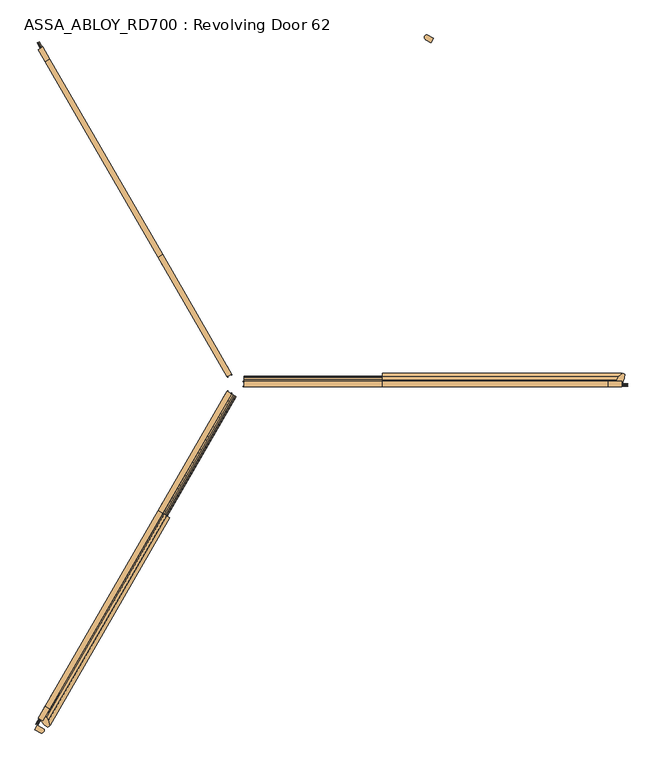
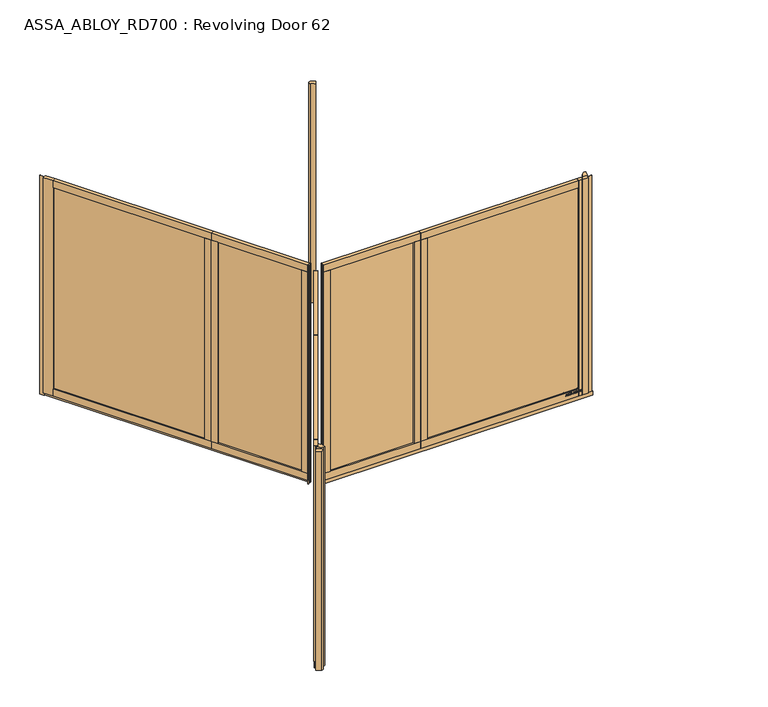
"""IFC4 building model written with IfcOpenShell, lengths in millimetres: door geometry, ASSA_ABLOY_RD700 : Revolving Door 62."""

from ifc_helpers import new_model, si_unit, point, frame, frame_2d, origin, origin_with_axes, origin_2d, place, context, project, spatial, polyline, circle_curve, trimmed, segment, composite_curve, outline, extrude, source, transform, mapped, element, save


def assa_abloy_rd700_revolving_door_62_88ebb59d(model_context):
    return source(origin(), model_context, "Body", "SweptSolid", [
        extrude(outline(composite_curve([segment(trimmed(circle_curve(origin_2d(), 3100.0), [point((-1550.0, -2684.6787517))], [point((-1506.4971038, -2709.3295252))], True, "CARTESIAN"), True, "CONTINUOUS"), segment(trimmed(circle_curve(frame_2d((-1516.7742629, -2726.4929816)), 20.0051052), [point((-1506.4971038, -2709.3295252))], [point((-1526.4996726, -2743.9749907))], False, "CARTESIAN"), True, "CONTINUOUS"), segment(trimmed(circle_curve(origin_2d(), 3140.0), [point((-1526.4996726, -2743.9749907))], [point((-1570.0, -2719.3197679))], False, "CARTESIAN"), True, "CONTINUOUS"), segment(polyline([(-1570.0, -2719.3197679), (-1550.0, -2684.6787517)]), True, "CONTINUOUS")], self_intersect=False)), origin_with_axes(), (0.0, 0.0, 1.0), 2600.0),
        extrude(outline(composite_curve([segment(trimmed(circle_curve(origin_2d(), 3100.0), [point((1550.0, 2684.6787517))], [point((1506.4971038, 2709.3295252))], True, "CARTESIAN"), True, "CONTINUOUS"), segment(trimmed(circle_curve(frame_2d((1516.7742629, 2726.4929816)), 20.0051052), [point((1506.4971038, 2709.3295252))], [point((1526.4996726, 2743.9749907))], False, "CARTESIAN"), True, "CONTINUOUS"), segment(trimmed(circle_curve(origin_2d(), 3140.0), [point((1526.4996726, 2743.9749907))], [point((1570.0, 2719.3197679))], False, "CARTESIAN"), True, "CONTINUOUS"), segment(polyline([(1570.0, 2719.3197679), (1550.0, 2684.6787517)]), True, "CONTINUOUS")], self_intersect=False)), origin_with_axes(), (0.0, 0.0, 1.0), 2600.0),
        extrude(outline(polyline([(-547.5155414, -944.8247427), (-50.5155414, -83.9954913), (-47.4844586, -85.7454878), (-544.4844586, -946.5747392), (-547.5155414, -944.8247427)])), frame((0.0, 0.0, 124.0), z_axis=(0.0, 0.0, 1.0), x_axis=(1.0, 0.0, 0.0)), (0.0, 0.0, 1.0), 2394.0),
        extrude(outline(polyline([(-1471.5155414, -2545.2396889), (-620.5155414, -1071.2644516), (-617.4844586, -1073.0144481), (-1468.4844586, -2546.9896854), (-1471.5155414, -2545.2396889)])), frame((0.0, 0.0, 124.0), z_axis=(0.0, 0.0, 1.0), x_axis=(1.0, 0.0, 0.0)), (0.0, 0.0, 1.0), 2394.0),
        extrude(outline(polyline([(-1452.6794919, -2556.1146871), (-1487.3205081, -2536.1146871), (-599.8205081, -998.9195954), (-565.1794919, -1018.9195954), (-1452.6794919, -2556.1146871)])), frame((0.0, 0.0, 42.0), z_axis=(0.0, 0.0, 1.0), x_axis=(1.0, 0.0, 0.0)), (0.0, 0.0, 1.0), 82.0),
        extrude(outline(polyline([(-599.8205081, -998.9195954), (-565.1794919, -1018.9195954), (-1452.6794919, -2556.1146871), (-1487.3205081, -2536.1146871), (-599.8205081, -998.9195954)])), frame((0.0, 0.0, 2518.0), z_axis=(0.0, 0.0, 1.0), x_axis=(1.0, 0.0, 0.0)), (0.0, 0.0, 1.0), 82.0),
        extrude(outline(polyline([(-565.1794919, -1018.9195954), (-599.8205081, -998.9195954), (-563.3205081, -935.6997409), (-528.6794919, -955.6997409), (-565.1794919, -1018.9195954)])), frame((0.0, 0.0, 124.0), z_axis=(0.0, 0.0, 1.0), x_axis=(1.0, 0.0, 0.0)), (0.0, 0.0, 1.0), 2394.0),
        extrude(outline(polyline([(-601.6794919, -1082.1394499), (-636.3205081, -1062.1394499), (-599.8205081, -998.9195954), (-565.1794919, -1018.9195954), (-601.6794919, -1082.1394499)])), frame((0.0, 0.0, 124.0), z_axis=(0.0, 0.0, 1.0), x_axis=(1.0, 0.0, 0.0)), (0.0, 0.0, 1.0), 2394.0),
        extrude(outline(polyline([(-24.2775681, -76.0499815), (-20.7775681, -69.9878037), (-18.1794919, -71.4878037), (-21.6794919, -77.5499815), (-24.2775681, -76.0499815)])), origin_with_axes(), (0.0, 0.0, 1.0), 2600.0),
        extrude(outline(polyline([(-56.6794919, -138.1717598), (-91.3205081, -118.1717598), (-56.3205081, -57.5499815), (-21.6794919, -77.5499815), (-56.6794919, -138.1717598)])), frame((0.0, 0.0, 124.0), z_axis=(0.0, 0.0, 1.0), x_axis=(1.0, 0.0, 0.0)), (0.0, 0.0, 1.0), 2394.0),
        extrude(outline(polyline([(-56.3205081, -57.5499815), (-21.6794919, -77.5499815), (-565.1794919, -1018.9195954), (-599.8205081, -998.9195954), (-56.3205081, -57.5499815)])), frame((0.0, 0.0, 2518.0), z_axis=(0.0, 0.0, 1.0), x_axis=(1.0, 0.0, 0.0)), (0.0, 0.0, 1.0), 82.0),
        extrude(outline(polyline([(-1487.3205081, -2536.1146871), (-1452.6794919, -2556.1146871), (-1507.6794919, -2651.3774815), (-1542.3205081, -2631.3774815), (-1487.3205081, -2536.1146871)])), frame((0.0, 0.0, 42.0), z_axis=(0.0, 0.0, 1.0), x_axis=(1.0, 0.0, 0.0)), (0.0, 0.0, 1.0), 2558.0),
        extrude(outline(polyline([(-1551.5155414, -2683.8037535), (-1526.5155414, -2640.5024833), (-1523.4844586, -2642.2524798), (-1548.4844586, -2685.55375), (-1551.5155414, -2683.8037535)])), origin_with_axes(), (0.0, 0.0, 1.0), 2600.0),
        extrude(outline(polyline([(-565.1794919, -1018.9195954), (-599.8205081, -998.9195954), (-56.3205081, -57.5499815), (-21.6794919, -77.5499815), (-565.1794919, -1018.9195954)])), frame((0.0, 0.0, 42.0), z_axis=(0.0, 0.0, 1.0), x_axis=(1.0, 0.0, 0.0)), (0.0, 0.0, 1.0), 82.0),
        extrude(outline(polyline([(-50.2224319, -52.9878037), (-53.7224319, -59.0499815), (-56.3205081, -57.5499815), (-52.8205081, -51.4878037), (-50.2224319, -52.9878037)])), origin_with_axes(), (0.0, 0.0, 1.0), 2600.0),
        extrude(outline(polyline([(-1564.7224319, -2676.1787517), (-53.7224319, -59.0499815), (-49.5655099, -61.4499815), (-1560.5655099, -2678.5787517), (-1564.7224319, -2676.1787517)])), origin_with_axes(), (0.0, 0.0, 1.0), 42.0),
        extrude(outline(polyline([(-21.1919362, 0.0), (0.0, 0.0), (1.2354289, -3.3526833), (-14.8894584, -17.1035441), (-15.8652682, -14.4554101), (-11.2716326, -10.6269535), (-14.2348715, -2.5853724), (-20.214336, -2.6529929), (-21.1919362, 0.0)]), holes=[polyline([(-11.7626281, -2.5849675), (-9.3848751, -9.0376682), (-1.6611384, -2.5160752), (-11.7626281, -2.5849675)])]), frame((-1460.3315201, -2573.3683888, 111.8848654), z_axis=(-0.8660254037844339, 0.5000000000000084, 0.0), x_axis=(-0.17288098849125705, -0.2994386557295809, 0.9383222555567716)), (0.0, 0.0, 1.0), 2.0),
        extrude(outline(polyline([(-3.5121291, 0.0), (0.0, 0.0), (2.8187321, -2.6852579), (4.250422, -5.1162245), (5.5118808, -7.3434952), (7.3063201, -9.1972246), (9.3614355, -9.1814983), (11.0208469, -7.1616301), (10.6514742, -3.4882218), (8.71119, 0.0484617), (6.0403681, 2.6484111), (9.0699595, 3.711135), (11.0920114, 1.0208016), (12.7977466, -2.5981572), (13.1300796, -8.3561656), (9.9996043, -11.7673439), (6.2388815, -11.6844271), (3.0893834, -8.4786223), (1.8238571, -6.2006453), (0.6628891, -4.2207409), (-0.9295188, -2.6144294), (-2.9863484, -2.6252693), (-4.8029446, -4.7524082), (-4.3562346, -8.76362), (-2.4447822, -12.1320668), (0.6567353, -15.0446472), (-2.5145629, -16.1570791), (-4.824798, -13.2083907), (-6.5093631, -9.6341389), (-7.2092232, -6.1919012), (-6.787432, -3.3659463), (-5.4926863, -1.2764387), (-3.5121291, 0.0)])), frame((-1448.4666248, -2552.8177873, 100.999973), z_axis=(-0.8660254037844339, 0.5000000000000084, 0.0), x_axis=(-0.16550355081007195, -0.2866605588360954, 0.9436282629706656)), (0.0, 0.0, 1.0), 2.0),
        extrude(outline(polyline([(-3.5121291, 0.0), (0.0, 0.0), (2.8187321, -2.6852579), (4.250422, -5.1162245), (5.5118808, -7.3434952), (7.3063201, -9.1972246), (9.3614355, -9.1814983), (11.0208469, -7.1616301), (10.6514742, -3.4882218), (8.71119, 0.0484617), (6.0403681, 2.6484111), (9.0699595, 3.711135), (11.0920114, 1.0208016), (12.7977466, -2.5981572), (13.1300796, -8.3561656), (9.9996043, -11.7673439), (6.2388815, -11.6844271), (3.0893834, -8.4786223), (1.8238571, -6.2006453), (0.6628891, -4.2207409), (-0.9295188, -2.6144294), (-2.9863484, -2.6252693), (-4.8029446, -4.7524082), (-4.3562346, -8.76362), (-2.4447822, -12.1320668), (0.6567353, -15.0446472), (-2.5145629, -16.1570791), (-4.824798, -13.2083907), (-6.5093631, -9.6341389), (-7.2092232, -6.1919012), (-6.787432, -3.3659463), (-5.4926863, -1.2764387), (-3.5121291, 0.0)])), frame((-1439.0213137, -2536.4580286, 100.999973), z_axis=(-0.8660254037844338, 0.5000000000000084, 0.0), x_axis=(-0.16550355081010626, -0.2866605588361549, 0.9436282629706415)), (0.0, 0.0, 1.0), 2.0),
        extrude(outline(polyline([(-21.1919362, 0.0), (0.0, 0.0), (1.2354289, -3.3526833), (-14.8894584, -17.103544), (-15.8652682, -14.4554101), (-11.2716326, -10.6269535), (-14.2348715, -2.5853723), (-20.214336, -2.6529929), (-21.1919362, 0.0)]), holes=[polyline([(-11.7626281, -2.5849674), (-9.3848751, -9.0376682), (-1.6611384, -2.5160752), (-11.7626281, -2.5849674)])]), frame((-1431.9955869, -2524.2891127, 111.8848654), z_axis=(-0.8660254037844339, 0.5000000000000084, 0.0), x_axis=(-0.17288098849125705, -0.2994386557295809, 0.9383222555567716)), (0.0, 0.0, 1.0), 2.0),
        extrude(outline(polyline([(-21.1919362, 0.0), (0.0, 0.0), (1.2354289, -3.3526833), (-14.8894584, -17.1035441), (-15.8652682, -14.4554101), (-11.2716326, -10.6269535), (-14.2348715, -2.5853724), (-20.214336, -2.6529929), (-21.1919362, 0.0)]), holes=[polyline([(-11.7626281, -2.5849675), (-9.3848751, -9.0376682), (-1.6611384, -2.5160752), (-11.7626281, -2.5849675)])]), frame((-1417.7447666, -2499.605968, 111.8848654), z_axis=(-0.8660254037844339, 0.5000000000000084, 0.0), x_axis=(-0.17288098849125705, -0.2994386557295809, 0.9383222555567716)), (0.0, 0.0, 1.0), 2.0),
        extrude(outline(polyline([(-3.6247797, -1e-07), (0.0, 0.0), (2.8147562, -2.4211002), (3.7068839, -0.0321766), (5.7320771, 1.441087), (7.9241126, 1.6554025), (9.8352432, 0.5920774), (11.1479956, -1.1951535), (12.3716711, -4.2930708), (14.3144162, -9.9880648), (-4.5055294, -16.4081519), (-6.8194358, -9.6251298), (-7.5842828, -6.2202288), (-7.204982, -3.4426963), (-5.9232413, -1.3859292), (-3.6247797, -1e-07)]), holes=[polyline([(5.2214253, -2.9241787), (4.7734732, -6.6552625), (5.9304264, -10.0467735), (11.2627443, -8.2277488), (10.1960736, -5.1008933), (9.3653605, -2.9303688), (5.2214253, -2.9241787)]), polyline([(-2.8765906, -2.5461079), (-4.3679308, -3.4351117), (-5.1102534, -4.8838351), (-5.1175974, -6.8751818), (-4.3362091, -9.7190964), (-3.1658807, -13.1498156), (3.734766, -10.7957837), (2.347091, -6.7279308), (1.5099769, -4.5787397), (0.5832315, -3.1932876), (-0.9746905, -2.291247), (-2.8765906, -2.5461079)])]), frame((-1405.5523407, -2478.4880667, 101.561824), z_axis=(-0.8660254037844338, 0.5000000000000084, 0.0), x_axis=(-0.1614314953418574, -0.27960755187390934, 0.9464457138403508)), (0.0, 0.0, 1.0), 2.0),
        extrude(outline(polyline([(-2.319901, 0.0), (0.0, 0.0), (0.0, -9.9424327), (17.5649644, -9.9424327), (17.5649644, -12.5937481), (-2.319901, -12.5937481), (-2.319901, 0.0)])), frame((-1396.8475337, -2463.4108988, 94.319901), z_axis=(-0.8660254037844338, 0.5000000000000084, 0.0), x_axis=(0.0, 0.0, 1.0)), (0.0, 0.0, 1.0), 2.0),
        extrude(outline(polyline([(-3.4755122, 0.0), (0.0, 0.0), (3.5095377, -1.5864764), (6.1998493, -4.2905332), (7.4345587, -7.5668217), (7.0812776, -11.3109182), (5.1361655, -15.2239686), (2.1257687, -18.4422905), (-1.2097864, -20.048671), (-4.7147757, -20.0502836), (-8.2007386, -18.4707048), (-10.9175762, -15.7640054), (-12.1283676, -12.475947), (-11.7934802, -8.7947164), (-9.8417791, -4.8358203), (-6.8343334, -1.6217536), (-3.4755122, 0.0)]), holes=[polyline([(-7.6631689, -6.3468237), (-9.5892893, -12.1951337), (-6.8871209, -16.5585186), (-1.8513939, -17.5618518), (2.9575554, -13.7129652), (4.8960978, -7.8921765), (2.1788995, -3.4868579), (-2.8864763, -2.494471), (-7.6631689, -6.3468237)])]), frame((-1389.5706568, -2450.8069783, 111.5197917), z_axis=(-0.8660254037844339, 0.5000000000000084, 0.0), x_axis=(-0.41085457557086574, -0.7116209994108705, 0.569907072188052)), (0.0, 0.0, 1.0), 2.0),
        extrude(outline(polyline([(-3.1691504, 0.0), (0.0, 0.0), (5.4320896, -8.8964059), (10.921141, 0.0), (14.0643996, 0.0), (6.7732823, -11.4441543), (6.7732823, -19.8848654), (4.1219669, -19.8848654), (4.1219669, -11.1645234), (-3.1691504, 0.0)])), frame((-1379.0443651, -2432.5749062, 111.8848654), z_axis=(-0.8660254037844338, 0.5000000000000084, 0.0), x_axis=(-0.5000000000000084, -0.8660254037844338, 0.0)), (0.0, 0.0, 1.0), 2.0),
        extrude(outline(polyline([(21.1919362, 0.0), (20.214336, -2.6529929), (14.2348715, -2.5853723), (11.2716326, -10.6269535), (15.8652682, -14.4554101), (14.8894584, -17.103544), (-1.2354289, -3.3526833), (0.0, 0.0), (21.1919362, 0.0)]), holes=[polyline([(11.7626281, -2.5849674), (1.6611384, -2.5160752), (9.3848751, -9.0376682), (11.7626281, -2.5849674)])]), frame((-1419.614485, -2418.8444152, 111.8848654), z_axis=(-0.866025403784437, 0.5000000000000029, 0.0), x_axis=(-0.17288098849125513, -0.299438655729582, -0.9383222555567716)), (0.0, 0.0, 1.0), 2.0),
        extrude(outline(polyline([(3.5121291, 0.0), (5.4926863, -1.2764387), (6.787432, -3.3659463), (7.2092232, -6.1919011), (6.5093631, -9.6341389), (4.8247981, -13.2083906), (2.5145629, -16.157079), (-0.6567352, -15.0446471), (2.4447823, -12.1320668), (4.3562346, -8.76362), (4.8029446, -4.7524081), (2.9863484, -2.6252692), (0.9295188, -2.6144293), (-0.6628891, -4.2207408), (-1.8238571, -6.2006452), (-3.0893834, -8.4786223), (-6.2388816, -11.6844271), (-9.9996043, -11.7673438), (-13.1300796, -8.3561656), (-12.7977466, -2.5981571), (-11.0920114, 1.0208017), (-9.0699595, 3.711135), (-6.0403681, 2.6484111), (-8.71119, 0.0484616), (-10.6514742, -3.4882218), (-11.0208469, -7.16163), (-9.3614355, -9.1814982), (-7.3063201, -9.1972245), (-5.5118807, -7.3434952), (-4.250422, -5.1162244), (-2.8187321, -2.6852579), (0.0, 0.0), (3.5121291, 0.0)])), frame((-1431.4793803, -2439.3950167, 100.999973), z_axis=(-0.866025403784437, 0.5000000000000029, 0.0), x_axis=(-0.1655035508100701, -0.2866605588360964, -0.9436282629706655)), (0.0, 0.0, 1.0), 2.0),
        extrude(outline(polyline([(3.5121291, 0.0), (5.4926863, -1.2764387), (6.787432, -3.3659463), (7.2092232, -6.1919011), (6.5093631, -9.6341389), (4.8247981, -13.2083906), (2.5145629, -16.157079), (-0.6567352, -15.0446471), (2.4447823, -12.1320668), (4.3562346, -8.76362), (4.8029446, -4.7524081), (2.9863484, -2.6252693), (0.9295188, -2.6144293), (-0.6628891, -4.2207409), (-1.8238571, -6.2006453), (-3.0893834, -8.4786223), (-6.2388816, -11.6844271), (-9.9996043, -11.7673438), (-13.1300796, -8.3561656), (-12.7977466, -2.5981571), (-11.0920114, 1.0208017), (-9.0699595, 3.711135), (-6.0403681, 2.6484111), (-8.71119, 0.0484616), (-10.6514742, -3.4882218), (-11.0208469, -7.16163), (-9.3614355, -9.1814982), (-7.3063201, -9.1972245), (-5.5118807, -7.3434952), (-4.250422, -5.1162244), (-2.8187321, -2.6852579), (0.0, 0.0), (3.5121291, 0.0)])), frame((-1440.9246914, -2455.7547754, 100.999973), z_axis=(-0.866025403784437, 0.5000000000000029, 0.0), x_axis=(-0.1655035508100701, -0.2866605588360964, -0.9436282629706655)), (0.0, 0.0, 1.0), 2.0),
        extrude(outline(polyline([(21.1919362, 0.0), (20.214336, -2.6529929), (14.2348715, -2.5853724), (11.2716326, -10.6269535), (15.8652682, -14.4554101), (14.8894584, -17.1035441), (-1.2354289, -3.3526833), (0.0, 0.0), (21.1919362, 0.0)]), holes=[polyline([(11.7626281, -2.5849675), (1.6611384, -2.5160752), (9.3848751, -9.0376682), (11.7626281, -2.5849675)])]), frame((-1447.9504183, -2467.9236913, 111.8848654), z_axis=(-0.866025403784437, 0.5000000000000029, 0.0), x_axis=(-0.17288098849125513, -0.299438655729582, -0.9383222555567716)), (0.0, 0.0, 1.0), 2.0),
        extrude(outline(polyline([(21.1919362, 0.0), (20.214336, -2.6529929), (14.2348715, -2.5853723), (11.2716326, -10.6269535), (15.8652682, -14.4554101), (14.8894584, -17.103544), (-1.2354289, -3.3526833), (0.0, 0.0), (21.1919362, 0.0)]), holes=[polyline([(11.7626281, -2.5849674), (1.6611384, -2.5160752), (9.3848751, -9.0376682), (11.7626281, -2.5849674)])]), frame((-1462.2012385, -2492.606836, 111.8848654), z_axis=(-0.866025403784437, 0.5000000000000029, 0.0), x_axis=(-0.17288098849125513, -0.299438655729582, -0.9383222555567716)), (0.0, 0.0, 1.0), 2.0),
        extrude(outline(polyline([(3.6247797, -1e-07), (5.9232413, -1.3859292), (7.204982, -3.4426963), (7.5842828, -6.2202288), (6.8194358, -9.6251298), (4.5055294, -16.408152), (-14.3144162, -9.9880649), (-12.3716711, -4.2930709), (-11.1479956, -1.1951535), (-9.8352433, 0.5920774), (-7.9241126, 1.6554024), (-5.7320771, 1.441087), (-3.7068839, -0.0321766), (-2.8147562, -2.4211002), (0.0, 0.0), (3.6247797, -1e-07)]), holes=[polyline([(-5.2214253, -2.9241787), (-9.3653605, -2.9303688), (-10.1960736, -5.1008934), (-11.2627443, -8.2277489), (-5.9304264, -10.0467736), (-4.7734732, -6.6552625), (-5.2214253, -2.9241787)]), polyline([(2.8765906, -2.5461079), (0.9746905, -2.291247), (-0.5832315, -3.1932876), (-1.5099769, -4.5787397), (-2.347091, -6.7279309), (-3.7347661, -10.7957837), (3.1658807, -13.1498157), (4.3362091, -9.7190964), (5.1175974, -6.8751818), (5.1102533, -4.8838352), (4.3679308, -3.4351118), (2.8765906, -2.5461079)])]), frame((-1474.3936645, -2513.7247373, 101.561824), z_axis=(-0.8660254037844369, 0.5000000000000028, 0.0), x_axis=(-0.16143149534182213, -0.2796075518738524, -0.9464457138403736)), (0.0, 0.0, 1.0), 2.0),
        extrude(outline(polyline([(2.319901, 0.0), (2.319901, -12.5937481), (-17.5649644, -12.5937481), (-17.5649644, -9.9424327), (0.0, -9.9424327), (0.0, 0.0), (2.319901, 0.0)])), frame((-1483.0984715, -2528.8019052, 94.319901), z_axis=(-0.866025403784437, 0.5000000000000029, 0.0), x_axis=(0.0, 0.0, -1.0)), (0.0, 0.0, 1.0), 2.0),
        extrude(outline(polyline([(3.4755123, 0.0), (6.8343334, -1.6217536), (9.8417791, -4.8358203), (11.7934802, -8.7947164), (12.1283676, -12.475947), (10.9175762, -15.7640054), (8.2007386, -18.4707048), (4.7147757, -20.0502836), (1.2097864, -20.048671), (-2.1257686, -18.4422905), (-5.1361655, -15.2239686), (-7.0812776, -11.3109182), (-7.4345588, -7.5668217), (-6.1998493, -4.2905332), (-3.5095377, -1.5864764), (0.0, 0.0), (3.4755123, 0.0)]), holes=[polyline([(7.663169, -6.3468237), (2.8864763, -2.494471), (-2.1788995, -3.4868579), (-4.8960978, -7.8921765), (-2.9575554, -13.7129652), (1.8513939, -17.5618518), (6.8871209, -16.5585186), (9.5892894, -12.1951337), (7.663169, -6.3468237)])]), frame((-1490.3753483, -2541.4058257, 111.5197917), z_axis=(-0.866025403784437, 0.5000000000000028, 0.0), x_axis=(-0.4108545755708601, -0.7116209994108712, -0.5699070721880555)), (0.0, 0.0, 1.0), 2.0),
        extrude(outline(polyline([(3.1691504, 0.0), (-4.121967, -11.1645234), (-4.121967, -19.8848654), (-6.7732824, -19.8848654), (-6.7732824, -11.4441543), (-14.0643996, 0.0), (-10.921141, 0.0), (-5.4320896, -8.8964059), (0.0, 0.0), (3.1691504, 0.0)])), frame((-1500.9016401, -2559.6378978, 111.8848654), z_axis=(-0.866025403784437, 0.5000000000000029, 0.0), x_axis=(-0.5000000000000029, -0.866025403784437, 0.0)), (0.0, 0.0, 1.0), 2.0),
        extrude(outline(polyline([(26.6515221, 0.0), (-24.0034278, -19.9844491), (-57.4313185, -25.5557642), (-65.7800894, -7.1605958), (-35.4734857, 27.0878672), (-13.9731119, 39.4978266), (0.0, 39.5498894), (0.0, 0.0), (26.6515221, 0.0)])), frame((-1507.6794919, -2651.3774815, 42.0), z_axis=(0.5000000000000028, 0.8660254037844372, 0.0), x_axis=(-0.8660254037844372, 0.5000000000000028, 0.0)), (0.0, 0.0, 1.0), 1885.0),
        extrude(outline(polyline([(33.1204549, 0.0), (-29.2477893, -28.4956234), (-41.1595702, -16.5838424), (-37.5120241, 2.8258245), (-28.8456008, 22.8930528), (-13.0431775, 37.4022447), (0.0, 37.4557851), (0.0, 0.0), (33.1204549, 0.0)])), frame((-565.1794919, -1018.9195954, 42.0), z_axis=(0.5000000000000028, 0.8660254037844372, 0.0), x_axis=(-0.8660254037844372, 0.5000000000000028, 0.0)), (0.0, 0.0, 1.0), 1087.0),
        extrude(outline(polyline([(-1530.7603871, -2638.0517205), (-1507.6794919, -2651.3774815), (-1487.9045472, -2617.1262726), (-1475.8295087, -2624.1579162), (-1463.4146184, -2645.6554433), (-1454.2925614, -2690.4687841), (-1470.7203932, -2702.2250818), (-1496.8841382, -2680.686236), (-1530.7603871, -2638.0517205)])), origin_with_axes(), (0.0, 0.0, 1.0), 2600.0),
        extrude(outline(polyline([(1092.0, -1.7499965), (98.0, -1.7499965), (98.0, 1.7499965), (1092.0, 1.7499965), (1092.0, -1.7499965)])), frame((0.0, 0.0, 124.0), z_axis=(0.0, 0.0, 1.0), x_axis=(1.0, 0.0, 0.0)), (0.0, 0.0, 1.0), 2394.0),
        extrude(outline(polyline([(2940.0, -1.7499965), (1238.0, -1.7499965), (1238.0, 1.7499965), (2940.0, 1.7499965), (2940.0, -1.7499965)])), frame((0.0, 0.0, 124.0), z_axis=(0.0, 0.0, 1.0), x_axis=(1.0, 0.0, 0.0)), (0.0, 0.0, 1.0), 2394.0),
        extrude(outline(polyline([(2940.0, 20.0), (2940.0, -20.0), (1165.0, -20.0), (1165.0, 20.0), (2940.0, 20.0)])), frame((0.0, 0.0, 42.0), z_axis=(0.0, 0.0, 1.0), x_axis=(1.0, 0.0, 0.0)), (0.0, 0.0, 1.0), 82.0),
        extrude(outline(polyline([(1165.0, -20.0), (1165.0, 20.0), (2940.0, 20.0), (2940.0, -20.0), (1165.0, -20.0)])), frame((0.0, 0.0, 2518.0), z_axis=(0.0, 0.0, 1.0), x_axis=(1.0, 0.0, 0.0)), (0.0, 0.0, 1.0), 82.0),
        extrude(outline(polyline([(1165.0, 20.0), (1165.0, -20.0), (1092.0, -20.0), (1092.0, 20.0), (1165.0, 20.0)])), frame((0.0, 0.0, 124.0), z_axis=(0.0, 0.0, 1.0), x_axis=(1.0, 0.0, 0.0)), (0.0, 0.0, 1.0), 2394.0),
        extrude(outline(polyline([(1238.0, 20.0), (1238.0, -20.0), (1165.0, -20.0), (1165.0, 20.0), (1238.0, 20.0)])), frame((0.0, 0.0, 124.0), z_axis=(0.0, 0.0, 1.0), x_axis=(1.0, 0.0, 0.0)), (0.0, 0.0, 1.0), 2394.0),
        extrude(outline(polyline([(78.0, 17.0), (71.0, 17.0), (71.0, 20.0), (78.0, 20.0), (78.0, 17.0)])), origin_with_axes(), (0.0, 0.0, 1.0), 2600.0),
        extrude(outline(polyline([(148.0, 20.0), (148.0, -20.0), (78.0, -20.0), (78.0, 20.0), (148.0, 20.0)])), frame((0.0, 0.0, 124.0), z_axis=(0.0, 0.0, 1.0), x_axis=(1.0, 0.0, 0.0)), (0.0, 0.0, 1.0), 2394.0),
        extrude(outline(polyline([(78.0, -20.0), (78.0, 20.0), (1165.0, 20.0), (1165.0, -20.0), (78.0, -20.0)])), frame((0.0, 0.0, 2518.0), z_axis=(0.0, 0.0, 1.0), x_axis=(1.0, 0.0, 0.0)), (0.0, 0.0, 1.0), 82.0),
        extrude(outline(polyline([(2940.0, -20.0), (2940.0, 20.0), (3050.0, 20.0), (3050.0, -20.0), (2940.0, -20.0)])), frame((0.0, 0.0, 42.0), z_axis=(0.0, 0.0, 1.0), x_axis=(1.0, 0.0, 0.0)), (0.0, 0.0, 1.0), 2558.0),
        extrude(outline(polyline([(3100.0, -1.7499965), (3050.0, -1.7499965), (3050.0, 1.7499965), (3100.0, 1.7499965), (3100.0, -1.7499965)])), origin_with_axes(), (0.0, 0.0, 1.0), 2600.0),
        extrude(outline(polyline([(1165.0, 20.0), (1165.0, -20.0), (78.0, -20.0), (78.0, 20.0), (1165.0, 20.0)])), frame((0.0, 0.0, 42.0), z_axis=(0.0, 0.0, 1.0), x_axis=(1.0, 0.0, 0.0)), (0.0, 0.0, 1.0), 82.0),
        extrude(outline(polyline([(71.0, -17.0), (78.0, -17.0), (78.0, -20.0), (71.0, -20.0), (71.0, -17.0)])), origin_with_axes(), (0.0, 0.0, 1.0), 2600.0),
        extrude(outline(polyline([(3100.0, -17.0), (78.0, -17.0), (78.0, -12.2), (3100.0, -12.2), (3100.0, -17.0)])), origin_with_axes(), (0.0, 0.0, 1.0), 42.0),
        extrude(outline(polyline([(92.0, 2951.4407922), (92.0, 2954.2681716), (97.6340452, 2956.2721931), (97.6340452, 2964.842363), (92.0, 2966.8463846), (92.0, 2969.6685856), (111.8848654, 2962.3412198), (111.8848654, 2958.768158), (92.0, 2951.4407922)]), holes=[polyline([(99.9539462, 2957.126621), (109.4562191, 2960.5546889), (99.9539462, 2964.0034703), (99.9539462, 2957.126621)])]), frame((0.0, 20.0, 0.0), z_axis=(0.0, 1.0, 0.0), x_axis=(0.0, 0.0, 1.0)), (0.0, 0.0, 1.0), 2.0),
        extrude(outline(polyline([(97.6858287, 2933.8758278), (95.3944087, 2934.4247329), (93.4810082, 2935.9678813), (92.147583, 2938.4949163), (91.6685856, 2941.9747678), (92.0750861, 2945.9051357), (93.2790525, 2949.4523057), (96.6398019, 2949.4523057), (94.6772071, 2945.6772883), (93.9884865, 2941.8660224), (94.8946979, 2937.9330653), (97.3129875, 2936.5271432), (99.2574581, 2937.1977395), (100.2283987, 2939.2405988), (100.6685585, 2941.4931812), (101.1087183, 2944.061643), (103.0195296, 2948.1292372), (106.5408079, 2949.4523057), (110.6239371, 2947.269631), (112.2162799, 2941.7262069), (111.804601, 2937.7466447), (110.7870552, 2934.5386566), (107.5764779, 2934.5386566), (109.2361392, 2937.8761034), (109.8963789, 2941.8556657), (109.0290052, 2945.4442625), (106.794547, 2946.8009903), (104.8500765, 2946.1355723), (103.7703904, 2943.7923687), (103.3172847, 2941.2731013), (102.7709688, 2938.505273), (100.999973, 2935.0383674), (97.6858287, 2933.8758278)])), frame((0.0, 20.0, 0.0), z_axis=(0.0, 1.0, 0.0), x_axis=(0.0, 0.0, 1.0)), (0.0, 0.0, 1.0), 2.0),
        extrude(outline(polyline([(97.6858287, 2914.9852056), (95.3944087, 2915.5341107), (93.4810082, 2917.0772591), (92.147583, 2919.6042941), (91.6685856, 2923.0841456), (92.0750861, 2927.0145135), (93.2790525, 2930.5616835), (96.6398019, 2930.5616835), (94.6772071, 2926.7866661), (93.9884865, 2922.9754002), (94.8946979, 2919.0424431), (97.3129875, 2917.636521), (99.2574581, 2918.3071174), (100.2283987, 2920.3499766), (100.6685585, 2922.602559), (101.1087183, 2925.1710208), (103.0195296, 2929.238615), (106.5408079, 2930.5616835), (110.6239371, 2928.3790088), (112.2162799, 2922.8355848), (111.804601, 2918.8560225), (110.7870552, 2915.6480344), (107.5764779, 2915.6480344), (109.2361392, 2918.9854813), (109.8963789, 2922.9650435), (109.0290052, 2926.5536403), (106.794547, 2927.9103681), (104.8500765, 2927.2449501), (103.7703904, 2924.9017466), (103.3172847, 2922.3824791), (102.7709688, 2919.6146508), (100.999973, 2916.1477453), (97.6858287, 2914.9852056)])), frame((0.0, 20.0, 0.0), z_axis=(0.0, 1.0, 0.0), x_axis=(0.0, 0.0, 1.0)), (0.0, 0.0, 1.0), 2.0),
        extrude(outline(polyline([(92.0, 2894.7689257), (92.0, 2897.596305), (97.6340452, 2899.6003266), (97.6340452, 2908.1704965), (92.0, 2910.1745181), (92.0, 2912.996719), (111.8848654, 2905.6693533), (111.8848654, 2902.0962915), (92.0, 2894.7689257)]), holes=[polyline([(99.9539462, 2900.4547544), (109.4562191, 2903.8828224), (99.9539462, 2907.3316037), (99.9539462, 2900.4547544)])]), frame((0.0, 20.0, 0.0), z_axis=(0.0, 1.0, 0.0), x_axis=(0.0, 0.0, 1.0)), (0.0, 0.0, 1.0), 2.0),
        extrude(outline(polyline([(92.0, 2866.2672852), (92.0, 2869.0946645), (97.6340452, 2871.0986861), (97.6340452, 2879.668856), (92.0, 2881.6728776), (92.0, 2884.4950786), (111.8848654, 2877.1677128), (111.8848654, 2873.594651), (92.0, 2866.2672852)]), holes=[polyline([(99.9539462, 2871.953114), (109.4562191, 2875.3811819), (99.9539462, 2878.8299633), (99.9539462, 2871.953114)])]), frame((0.0, 20.0, 0.0), z_axis=(0.0, 1.0, 0.0), x_axis=(0.0, 0.0, 1.0)), (0.0, 0.0, 1.0), 2.0),
        extrude(outline(polyline([(98.1311668, 2848.0394919), (95.5083324, 2848.6091105), (93.6311804, 2850.1419022), (92.3754304, 2852.6482237), (92.0, 2856.1177185), (92.0, 2863.2845554), (111.8848654, 2863.2845554), (111.8848654, 2857.2673123), (111.7269258, 2853.9402222), (111.0615077, 2851.824866), (109.5960346, 2850.2014532), (107.4521975, 2849.696564), (105.0597997, 2850.4370681), (103.4441543, 2852.4100196), (101.561824, 2849.2097991), (98.1311668, 2848.0394919)]), holes=[polyline([(105.5595105, 2853.6631804), (109.4795217, 2855.0069623), (109.5649645, 2857.3294525), (109.5649645, 2860.63324), (103.9309193, 2860.63324), (103.9309193, 2857.0498216), (105.5595105, 2853.6631804)]), polyline([(98.0172431, 2850.6908073), (99.8995735, 2851.0636485), (101.0828266, 2852.4203763), (101.5126296, 2854.0308433), (101.6110183, 2856.3352092), (101.6110183, 2860.63324), (94.319901, 2860.63324), (94.319901, 2857.0083948), (94.4985541, 2854.0645026), (95.148437, 2852.1821722), (96.3187442, 2851.0507027), (98.0172431, 2850.6908073)])]), frame((0.0, 20.0, 0.0), z_axis=(0.0, 1.0, 0.0), x_axis=(0.0, 0.0, 1.0)), (0.0, 0.0, 1.0), 2.0),
        extrude(outline(polyline([(92.0, 2831.8001851), (92.0, 2844.3939332), (111.8848654, 2844.3939332), (111.8848654, 2841.7426179), (94.319901, 2841.7426179), (94.319901, 2831.8001851), (92.0, 2831.8001851)])), frame((0.0, 20.0, 0.0), z_axis=(0.0, 1.0, 0.0), x_axis=(0.0, 0.0, 1.0)), (0.0, 0.0, 1.0), 2.0),
        extrude(outline(polyline([(109.5390727, 2814.3905712), (106.292247, 2812.554846), (101.9372544, 2811.9153197), (97.571905, 2812.5677918), (94.3561494, 2814.3905712), (92.3443603, 2817.2593773), (91.6685856, 2821.0343947), (92.3573062, 2824.7990554), (94.3561494, 2827.6782182), (97.5770834, 2829.5035867), (101.9372544, 2830.143113), (106.2611769, 2829.5113543), (109.5390727, 2827.6678615), (111.5275593, 2824.7861095), (112.2162799, 2821.0343947), (111.5197917, 2817.2464314), (109.5390727, 2814.3905712)]), holes=[polyline([(101.9372544, 2814.5666351), (107.8250388, 2816.2962041), (109.8963789, 2821.024038), (107.8250388, 2825.7674069), (101.9372544, 2827.4917976), (96.0339349, 2825.7337477), (93.9884865, 2821.024038), (96.0339349, 2816.3169175), (101.9372544, 2814.5666351)])]), frame((0.0, 20.0, 0.0), z_axis=(0.0, 1.0, 0.0), x_axis=(0.0, 0.0, 1.0)), (0.0, 0.0, 1.0), 2.0),
        extrude(outline(polyline([(111.8848654, 2793.0246975), (100.720342, 2800.3158148), (92.0, 2800.3158148), (92.0, 2802.9671302), (100.4407111, 2802.9671302), (111.8848654, 2810.2582476), (111.8848654, 2807.1149889), (102.9884595, 2801.6259375), (111.8848654, 2796.1938479), (111.8848654, 2793.0246975)])), frame((0.0, 20.0, 0.0), z_axis=(0.0, 1.0, 0.0), x_axis=(0.0, 0.0, 1.0)), (0.0, 0.0, 1.0), 2.0),
        extrude(outline(polyline([(92.0, 2811.9153197), (111.8848654, 2804.5879539), (111.8848654, 2801.0148921), (92.0, 2793.6875264), (92.0, 2796.5097273), (97.6340452, 2798.5137489), (97.6340452, 2807.0839188), (92.0, 2809.0879404), (92.0, 2811.9153197)]), holes=[polyline([(99.9539462, 2806.229491), (99.9539462, 2799.3526417), (109.4562191, 2802.801423), (99.9539462, 2806.229491)])]), frame((0.0, -22.0, 0.0), z_axis=(0.0, 1.0, 0.0), x_axis=(0.0, 0.0, 1.0)), (0.0, 0.0, 1.0), 2.0),
        extrude(outline(polyline([(97.6858287, 2829.4802842), (100.999973, 2828.3177445), (102.7709688, 2824.8508389), (103.3172847, 2822.0830106), (103.7703904, 2819.5637432), (104.8500765, 2817.2205396), (106.794547, 2816.5551216), (109.0290052, 2817.9118494), (109.8963789, 2821.5004462), (109.2361392, 2825.4800085), (107.5764779, 2828.8174553), (110.7870552, 2828.8174553), (111.804601, 2825.6094673), (112.2162799, 2821.629905), (110.6239371, 2816.0864809), (106.5408079, 2813.9038062), (103.0195296, 2815.2268747), (101.1087183, 2819.294469), (100.6685585, 2821.8629308), (100.2283987, 2824.1155132), (99.2574581, 2826.1583724), (97.3129875, 2826.8289688), (94.8946979, 2825.4230466), (93.9884865, 2821.4900895), (94.6772071, 2817.6788237), (96.6398019, 2813.9038062), (93.2790525, 2813.9038062), (92.0750861, 2817.4509762), (91.6685856, 2821.3813442), (92.147583, 2824.8611956), (93.4810082, 2827.3882306), (95.3944087, 2828.931379), (97.6858287, 2829.4802842)])), frame((0.0, -22.0, 0.0), z_axis=(0.0, 1.0, 0.0), x_axis=(0.0, 0.0, 1.0)), (0.0, 0.0, 1.0), 2.0),
        extrude(outline(polyline([(97.6858287, 2848.3709063), (100.999973, 2847.2083667), (102.7709688, 2843.7414611), (103.3172847, 2840.9736328), (103.7703904, 2838.4543654), (104.8500765, 2836.1111618), (106.794547, 2835.4457438), (109.0290052, 2836.8024716), (109.8963789, 2840.3910684), (109.2361392, 2844.3706307), (107.5764779, 2847.7080775), (110.7870552, 2847.7080775), (111.804601, 2844.5000894), (112.2162799, 2840.5205272), (110.6239371, 2834.9771031), (106.5408079, 2832.7944284), (103.0195296, 2834.1174969), (101.1087183, 2838.1850911), (100.6685585, 2840.7535529), (100.2283987, 2843.0061353), (99.2574581, 2845.0489946), (97.3129875, 2845.7195909), (94.8946979, 2844.3136688), (93.9884865, 2840.3807117), (94.6772071, 2836.5694458), (96.6398019, 2832.7944284), (93.2790525, 2832.7944284), (92.0750861, 2836.3415984), (91.6685856, 2840.2719663), (92.147583, 2843.7518178), (93.4810082, 2846.2788528), (95.3944087, 2847.8220012), (97.6858287, 2848.3709063)])), frame((0.0, -22.0, 0.0), z_axis=(0.0, 1.0, 0.0), x_axis=(0.0, 0.0, 1.0)), (0.0, 0.0, 1.0), 2.0),
        extrude(outline(polyline([(92.0, 2868.5871862), (111.8848654, 2861.2598204), (111.8848654, 2857.6867587), (92.0, 2850.3593929), (92.0, 2853.1815938), (97.6340452, 2855.1856154), (97.6340452, 2863.7557853), (92.0, 2865.7598069), (92.0, 2868.5871862)]), holes=[polyline([(99.9539462, 2862.9013575), (99.9539462, 2856.0245082), (109.4562191, 2859.4732895), (99.9539462, 2862.9013575)])]), frame((0.0, -22.0, 0.0), z_axis=(0.0, 1.0, 0.0), x_axis=(0.0, 0.0, 1.0)), (0.0, 0.0, 1.0), 2.0),
        extrude(outline(polyline([(92.0, 2897.0888267), (111.8848654, 2889.7614609), (111.8848654, 2886.1883991), (92.0, 2878.8610334), (92.0, 2881.6832343), (97.6340452, 2883.6872559), (97.6340452, 2892.2574258), (92.0, 2894.2614474), (92.0, 2897.0888267)]), holes=[polyline([(99.9539462, 2891.402998), (99.9539462, 2884.5261487), (109.4562191, 2887.97493), (99.9539462, 2891.402998)])]), frame((0.0, -22.0, 0.0), z_axis=(0.0, 1.0, 0.0), x_axis=(0.0, 0.0, 1.0)), (0.0, 0.0, 1.0), 2.0),
        extrude(outline(polyline([(98.1311668, 2915.31662), (101.561824, 2914.1463128), (103.4441543, 2910.9460923), (105.0597997, 2912.9190438), (107.4521975, 2913.6595479), (109.5960346, 2913.1546587), (111.0615077, 2911.5312459), (111.7269258, 2909.4158898), (111.8848654, 2906.0887996), (111.8848654, 2900.0715565), (92.0, 2900.0715565), (92.0, 2907.2383934), (92.3754304, 2910.7078882), (93.6311804, 2913.2142098), (95.5083324, 2914.7470015), (98.1311668, 2915.31662)]), holes=[polyline([(105.5595105, 2909.6929315), (103.9309193, 2906.3062904), (103.9309193, 2902.7228719), (109.5649645, 2902.7228719), (109.5649645, 2906.0266594), (109.4795217, 2908.3491496), (105.5595105, 2909.6929315)]), polyline([(98.0172431, 2912.6653046), (96.3187442, 2912.3054093), (95.148437, 2911.1739397), (94.4985541, 2909.2916094), (94.319901, 2906.3477172), (94.319901, 2902.7228719), (101.6110183, 2902.7228719), (101.6110183, 2907.0209027), (101.5126296, 2909.3252686), (101.0828266, 2910.9357356), (99.8995735, 2912.2924634), (98.0172431, 2912.6653046)])]), frame((0.0, -22.0, 0.0), z_axis=(0.0, 1.0, 0.0), x_axis=(0.0, 0.0, 1.0)), (0.0, 0.0, 1.0), 2.0),
        extrude(outline(polyline([(92.0, 2931.5559268), (94.319901, 2931.5559268), (94.319901, 2921.6134941), (111.8848654, 2921.6134941), (111.8848654, 2918.9621787), (92.0, 2918.9621787), (92.0, 2931.5559268)])), frame((0.0, -22.0, 0.0), z_axis=(0.0, 1.0, 0.0), x_axis=(0.0, 0.0, 1.0)), (0.0, 0.0, 1.0), 2.0),
        extrude(outline(polyline([(109.5390727, 2948.9655408), (111.5197917, 2946.1096805), (112.2162799, 2942.3217172), (111.5275593, 2938.5700024), (109.5390727, 2935.6882504), (106.2611769, 2933.8447577), (101.9372544, 2933.2129989), (97.5770834, 2933.8525252), (94.3561494, 2935.6778937), (92.3573062, 2938.5570565), (91.6685856, 2942.3217172), (92.3443603, 2946.0967347), (94.3561494, 2948.9655408), (97.571905, 2950.7883201), (101.9372544, 2951.4407922), (106.292247, 2950.801266), (109.5390727, 2948.9655408)]), holes=[polyline([(101.9372544, 2948.7894769), (96.0339349, 2947.0391944), (93.9884865, 2942.3320739), (96.0339349, 2937.6223643), (101.9372544, 2935.8643143), (107.8250388, 2937.588705), (109.8963789, 2942.3320739), (107.8250388, 2947.0599078), (101.9372544, 2948.7894769)])]), frame((0.0, -22.0, 0.0), z_axis=(0.0, 1.0, 0.0), x_axis=(0.0, 0.0, 1.0)), (0.0, 0.0, 1.0), 2.0),
        extrude(outline(polyline([(111.8848654, 2970.3314144), (111.8848654, 2967.162264), (102.9884595, 2961.7301744), (111.8848654, 2956.241123), (111.8848654, 2953.0978644), (100.4407111, 2960.3889817), (92.0, 2960.3889817), (92.0, 2963.0402971), (100.720342, 2963.0402971), (111.8848654, 2970.3314144)])), frame((0.0, -22.0, 0.0), z_axis=(0.0, 1.0, 0.0), x_axis=(0.0, 0.0, 1.0)), (0.0, 0.0, 1.0), 2.0),
        extrude(outline(polyline([(-6.6515221, 42.0), (20.0, 42.0), (20.0, 81.5498894), (33.9731119, 81.4978266), (55.4734858, 69.0878672), (85.7800894, 34.8394042), (77.4313185, 16.4442358), (44.0034278, 22.0155509), (-6.6515221, 42.0)])), frame((1165.0, 0.0, 0.0), z_axis=(1.0, 0.0, 0.0), x_axis=(0.0, 1.0, 0.0)), (0.0, 0.0, 1.0), 1885.0),
        extrude(outline(polyline([(-13.1204549, 42.0), (20.0, 42.0), (20.0, 79.4557851), (33.0431775, 79.4022447), (48.8456009, 64.8930528), (57.5120241, 44.8258245), (61.1595703, 25.4161576), (49.2477893, 13.5043766), (-13.1204549, 42.0)])), frame((78.0, 0.0, 0.0), z_axis=(1.0, 0.0, 0.0), x_axis=(0.0, 1.0, 0.0)), (0.0, 0.0, 1.0), 1087.0),
        extrude(outline(polyline([(3050.0, -6.6515221), (3050.0, 20.0), (3010.4501106, 20.0), (3010.5021734, 33.9731119), (3022.9121328, 55.4734858), (3057.1605958, 85.7800894), (3075.5557642, 77.4313185), (3069.9844491, 44.0034278), (3050.0, -6.6515221)])), origin_with_axes(), (0.0, 0.0, 1.0), 2600.0),
        extrude(outline(polyline([(-544.4844586, 946.5747392), (-47.4844586, 85.7454878), (-50.5155414, 83.9954913), (-547.5155414, 944.8247427), (-544.4844586, 946.5747392)])), frame((0.0, 0.0, 124.0), z_axis=(0.0, 0.0, 1.0), x_axis=(1.0, 0.0, 0.0)), (0.0, 0.0, 1.0), 2394.0),
        extrude(outline(polyline([(-1468.4844586, 2546.9896854), (-617.4844586, 1073.0144481), (-620.5155414, 1071.2644516), (-1471.5155414, 2545.2396889), (-1468.4844586, 2546.9896854)])), frame((0.0, 0.0, 124.0), z_axis=(0.0, 0.0, 1.0), x_axis=(1.0, 0.0, 0.0)), (0.0, 0.0, 1.0), 2394.0),
        extrude(outline(polyline([(-1487.3205081, 2536.1146871), (-1452.6794919, 2556.1146871), (-565.1794919, 1018.9195954), (-599.8205081, 998.9195954), (-1487.3205081, 2536.1146871)])), frame((0.0, 0.0, 42.0), z_axis=(0.0, 0.0, 1.0), x_axis=(1.0, 0.0, 0.0)), (0.0, 0.0, 1.0), 82.0),
        extrude(outline(polyline([(-565.1794919, 1018.9195954), (-599.8205081, 998.9195954), (-1487.3205081, 2536.1146871), (-1452.6794919, 2556.1146871), (-565.1794919, 1018.9195954)])), frame((0.0, 0.0, 2518.0), z_axis=(0.0, 0.0, 1.0), x_axis=(1.0, 0.0, 0.0)), (0.0, 0.0, 1.0), 82.0),
        extrude(outline(polyline([(-599.8205081, 998.9195954), (-565.1794919, 1018.9195954), (-528.6794919, 955.6997409), (-563.3205081, 935.6997409), (-599.8205081, 998.9195954)])), frame((0.0, 0.0, 124.0), z_axis=(0.0, 0.0, 1.0), x_axis=(1.0, 0.0, 0.0)), (0.0, 0.0, 1.0), 2394.0),
        extrude(outline(polyline([(-636.3205081, 1062.1394499), (-601.6794919, 1082.1394499), (-565.1794919, 1018.9195954), (-599.8205081, 998.9195954), (-636.3205081, 1062.1394499)])), frame((0.0, 0.0, 124.0), z_axis=(0.0, 0.0, 1.0), x_axis=(1.0, 0.0, 0.0)), (0.0, 0.0, 1.0), 2394.0),
        extrude(outline(polyline([(-53.7224319, 59.0499815), (-50.2224319, 52.9878037), (-52.8205081, 51.4878037), (-56.3205081, 57.5499815), (-53.7224319, 59.0499815)])), origin_with_axes(), (0.0, 0.0, 1.0), 2600.0),
        extrude(outline(polyline([(-91.3205081, 118.1717598), (-56.6794919, 138.1717598), (-21.6794919, 77.5499815), (-56.3205081, 57.5499815), (-91.3205081, 118.1717598)])), frame((0.0, 0.0, 124.0), z_axis=(0.0, 0.0, 1.0), x_axis=(1.0, 0.0, 0.0)), (0.0, 0.0, 1.0), 2394.0),
        extrude(outline(polyline([(-21.6794919, 77.5499815), (-56.3205081, 57.5499815), (-599.8205081, 998.9195954), (-565.1794919, 1018.9195954), (-21.6794919, 77.5499815)])), frame((0.0, 0.0, 2518.0), z_axis=(0.0, 0.0, 1.0), x_axis=(1.0, 0.0, 0.0)), (0.0, 0.0, 1.0), 82.0),
        extrude(outline(polyline([(-1452.6794919, 2556.1146871), (-1487.3205081, 2536.1146871), (-1542.3205081, 2631.3774815), (-1507.6794919, 2651.3774815), (-1452.6794919, 2556.1146871)])), frame((0.0, 0.0, 42.0), z_axis=(0.0, 0.0, 1.0), x_axis=(1.0, 0.0, 0.0)), (0.0, 0.0, 1.0), 2558.0),
        extrude(outline(polyline([(-1548.4844586, 2685.55375), (-1523.4844586, 2642.2524798), (-1526.5155414, 2640.5024833), (-1551.5155414, 2683.8037535), (-1548.4844586, 2685.55375)])), origin_with_axes(), (0.0, 0.0, 1.0), 2600.0),
        extrude(outline(polyline([(-599.8205081, 998.9195954), (-565.1794919, 1018.9195954), (-21.6794919, 77.5499815), (-56.3205081, 57.5499815), (-599.8205081, 998.9195954)])), frame((0.0, 0.0, 42.0), z_axis=(0.0, 0.0, 1.0), x_axis=(1.0, 0.0, 0.0)), (0.0, 0.0, 1.0), 82.0),
        extrude(outline(polyline([(-20.7775681, 69.9878037), (-24.2775681, 76.0499815), (-21.6794919, 77.5499815), (-18.1794919, 71.4878037), (-20.7775681, 69.9878037)])), origin_with_axes(), (0.0, 0.0, 1.0), 2600.0),
        extrude(outline(polyline([(-1535.2775681, 2693.1787517), (-24.2775681, 76.0499815), (-28.4344901, 73.6499815), (-1539.4344901, 2690.7787517), (-1535.2775681, 2693.1787517)])), origin_with_axes(), (0.0, 0.0, 1.0), 42.0),
    ])


if __name__ == "__main__":
    model = new_model("IFC4")
    model_context = context("Model", 3, world=origin())
    ifc_project = project(units=[si_unit("LENGTHUNIT", "METRE", prefix="MILLI")], contexts=[model_context])
    site = spatial("IfcSite", under=ifc_project)
    building = spatial("IfcBuilding", under=site)
    placement = place(None, origin())
    assa_abloy_rd700_revolving_door_62_shape = assa_abloy_rd700_revolving_door_62_88ebb59d(model_context)
    element("IfcDoor", 1, ObjectType="ASSA_ABLOY_RD700 : Revolving Door 62", at=placement, inside=building, context=model_context, shape_type="MappedRepresentation", body=[
        mapped(assa_abloy_rd700_revolving_door_62_shape, transform((0.0, 0.0, 0.0), x_axis=(1.0, 0.0, 0.0), y_axis=(0.0, 1.0, 0.0), z_axis=(0.0, 0.0, 1.0))),
    ])
    save(model, "model.ifc")
